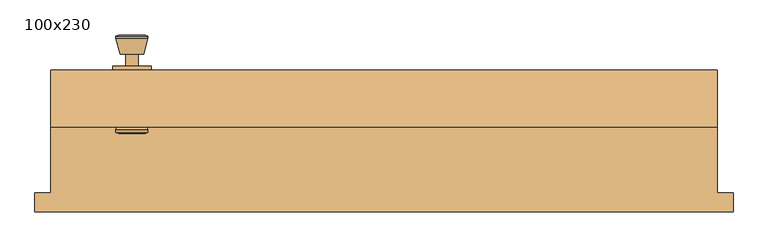
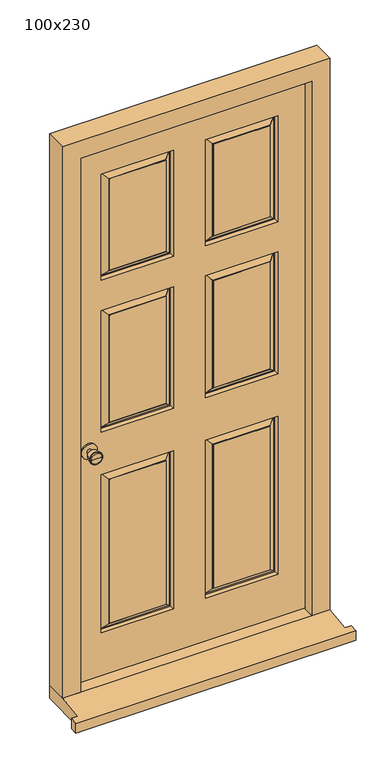
"""IFC4 building model written with IfcOpenShell, lengths in millimetres: door geometry, 100x230."""

from ifc_helpers import new_model, si_unit, point, frame, frame_2d, origin, place, context, project, spatial, polyline, circle_curve, trimmed, segment, composite_curve, outline, extrude, faceted_brep, source, transform, mapped, element, save
from ifc_brep_helpers import plane_surface, cylinder_surface, revolved_surface, advanced_brep


def door_100x230_8b10437b(model_context):
    return source(origin(), model_context, "Body", "SolidModel", [
        advanced_brep(
        [(-393.5, -12.5, 1000.0), (-403.5, -12.5, 1000.0), (-383.5, -12.5, 1000.0), (-373.0241324, 36.5, 1000.0), (-413.9758676, 36.5, 1000.0), (-393.5, 36.5, 1000.0), (-368.5, 34.6721319, 1000.0), (-418.5, 34.6721319, 1000.0), (-368.5, 31.2084537, 1000.0), (-418.5, 31.2084537, 1000.0), (-374.863764, 6.5, 1000.0), (-412.136236, 6.5, 1000.0), (-383.5, 6.5, 1000.0), (-403.5, 6.5, 1000.0)],
        [
            (0, 1),
            (1, 2, circle_curve(frame((-393.5, -12.5, 1000.0), z_axis=(0.0, -1.0, 0.0), x_axis=(-1.0, 0.0, 0.0)), 10.0)),
            (2, 0),
            (2, 1, circle_curve(frame((-393.5, -12.5, 1000.0), z_axis=(0.0, -1.0, 0.0), x_axis=(-1.0, 0.0, 0.0)), 10.0)),
            (3, 4, circle_curve(frame((-393.5, 36.5, 1000.0), z_axis=(0.0, 1.0, 0.0), x_axis=(-1.0, 0.0, 0.0)), 20.4758676)),
            (4, 5),
            (5, 3),
            (4, 3, circle_curve(frame((-393.5, 36.5, 1000.0), z_axis=(0.0, 1.0, 0.0), x_axis=(-1.0, 0.0, 0.0)), 20.4758676)),
            (6, 7, circle_curve(frame((-393.5, 34.6721319, 1000.0), z_axis=(0.0, 1.0, 0.0), x_axis=(-1.0, 0.0, 0.0)), 25.0)),
            (7, 4),
            (3, 6),
            (7, 6, circle_curve(frame((-393.5, 34.6721319, 1000.0), z_axis=(0.0, 1.0, 0.0), x_axis=(-1.0, 0.0, 0.0)), 25.0)),
            (8, 9, circle_curve(frame((-393.5, 31.2084537, 1000.0), z_axis=(0.0, 1.0, 0.0), x_axis=(-1.0, 0.0, 0.0)), 25.0)),
            (9, 7),
            (6, 8),
            (9, 8, circle_curve(frame((-393.5, 31.2084537, 1000.0), z_axis=(0.0, 1.0, 0.0), x_axis=(-1.0, 0.0, 0.0)), 25.0)),
            (10, 11, circle_curve(frame((-393.5, 6.5, 1000.0), z_axis=(0.0, 1.0, 0.0), x_axis=(-1.0, 0.0, 0.0)), 18.636236)),
            (11, 9),
            (8, 10),
            (11, 10, circle_curve(frame((-393.5, 6.5, 1000.0), z_axis=(0.0, 1.0, 0.0), x_axis=(-1.0, 0.0, 0.0)), 18.636236)),
            (12, 13, circle_curve(frame((-393.5, 6.5, 1000.0), z_axis=(0.0, 1.0, 0.0), x_axis=(-1.0, 0.0, 0.0)), 10.0)),
            (13, 11),
            (10, 12),
            (13, 12, circle_curve(frame((-393.5, 6.5, 1000.0), z_axis=(0.0, 1.0, 0.0), x_axis=(-1.0, 0.0, 0.0)), 10.0)),
            (1, 13),
            (12, 2),
        ],
        [
            plane_surface(frame((-393.5, -12.5, 1000.0), z_axis=(0.0, -1.0, 0.0), x_axis=(-1.0, 0.0, 0.0))),
            plane_surface(frame((-393.5, 36.5, 1000.0), z_axis=(0.0, 1.0, 0.0), x_axis=(-1.0, 0.0, 0.0))),
            revolved_surface(polyline([(-413.9758676, 36.5, 1000.0), (-418.5, 34.6721319, 1000.0)]), (-393.5, -12.5, 1000.0), (0.0, -1.0, 0.0)),
            cylinder_surface(frame((-393.5, -12.5, 1000.0), z_axis=(0.0, -1.0, 0.0), x_axis=(-1.0, 0.0, 0.0)), 25.0),
            revolved_surface(polyline([(-418.5, 31.2084537, 1000.0), (-412.136236, 6.5, 1000.0)]), (-393.5, -12.5, 1000.0), (0.0, -1.0, 0.0)),
            plane_surface(frame((-393.5, 6.5, 1000.0), z_axis=(0.0, -1.0, 0.0), x_axis=(-1.0, 0.0, 0.0))),
            cylinder_surface(frame((-393.5, -12.5, 1000.0), z_axis=(0.0, -1.0, 0.0), x_axis=(-1.0, 0.0, 0.0)), 10.0),
        ],
        [
            (0, [[1, 2, 3]]),
            (0, [[-3, 4, -1]]),
            (1, [[5, 6, 7]]),
            (1, [[8, -7, -6]]),
            (2, [[9, 10, -5, 11]]),
            (2, [[12, -11, -8, -10]]),
            (3, [[13, 14, -9, 15]]),
            (3, [[16, -15, -12, -14]]),
            (4, [[17, 18, -13, 19]]),
            (4, [[20, -19, -16, -18]]),
            (5, [[21, 22, -17, 23]]),
            (5, [[24, -23, -20, -22]]),
            (6, [[-2, 25, -21, 26]]),
            (6, [[-4, -26, -24, -25]]),
        ],
    ),
        extrude(outline(composite_curve([segment(trimmed(circle_curve(frame_2d((1000.0, -393.5)), 30.0), [point((1000.0, -423.5))], [point((1000.0, -363.5))], False, "CARTESIAN"), True, "CONTINUOUS"), segment(trimmed(circle_curve(frame_2d((1000.0, -393.5)), 30.0), [point((1000.0, -363.5))], [point((1000.0, -423.5))], False, "CARTESIAN"), True, "CONTINUOUS")], self_intersect=False)), frame((0.0, -18.5, 0.0), z_axis=(0.0, 1.0, 0.0), x_axis=(0.0, 0.0, 1.0)), (0.0, 0.0, 1.0), 6.0),
        advanced_brep(
        [(-393.5, -68.5, 1000.0), (-383.5, -68.5, 1000.0), (-403.5, -68.5, 1000.0), (-373.0241324, -117.5, 1000.0), (-393.5, -117.5, 1000.0), (-413.9758676, -117.5, 1000.0), (-368.5, -115.6721319, 1000.0), (-418.5, -115.6721319, 1000.0), (-368.5, -112.2084537, 1000.0), (-418.5, -112.2084537, 1000.0), (-374.863764, -87.5, 1000.0), (-412.136236, -87.5, 1000.0), (-383.5, -87.5, 1000.0), (-403.5, -87.5, 1000.0)],
        [
            (0, 1),
            (1, 2, circle_curve(frame((-393.5, -68.5, 1000.0), z_axis=(0.0, 1.0, 0.0), x_axis=(-1.0, 0.0, 0.0)), 10.0)),
            (2, 0),
            (2, 1, circle_curve(frame((-393.5, -68.5, 1000.0), z_axis=(0.0, 1.0, 0.0), x_axis=(-1.0, 0.0, 0.0)), 10.0)),
            (3, 4),
            (4, 5),
            (5, 3, circle_curve(frame((-393.5, -117.5, 1000.0), z_axis=(0.0, -1.0, 0.0), x_axis=(-1.0, 0.0, 0.0)), 20.4758676)),
            (3, 5, circle_curve(frame((-393.5, -117.5, 1000.0), z_axis=(0.0, -1.0, 0.0), x_axis=(-1.0, 0.0, 0.0)), 20.4758676)),
            (6, 3),
            (5, 7),
            (7, 6, circle_curve(frame((-393.5, -115.6721319, 1000.0), z_axis=(0.0, -1.0, 0.0), x_axis=(-1.0, 0.0, 0.0)), 25.0)),
            (6, 7, circle_curve(frame((-393.5, -115.6721319, 1000.0), z_axis=(0.0, -1.0, 0.0), x_axis=(-1.0, 0.0, 0.0)), 25.0)),
            (8, 6),
            (7, 9),
            (9, 8, circle_curve(frame((-393.5, -112.2084537, 1000.0), z_axis=(0.0, -1.0, 0.0), x_axis=(-1.0, 0.0, 0.0)), 25.0)),
            (8, 9, circle_curve(frame((-393.5, -112.2084537, 1000.0), z_axis=(0.0, -1.0, 0.0), x_axis=(-1.0, 0.0, 0.0)), 25.0)),
            (10, 8),
            (9, 11),
            (11, 10, circle_curve(frame((-393.5, -87.5, 1000.0), z_axis=(0.0, -1.0, 0.0), x_axis=(-1.0, 0.0, 0.0)), 18.636236)),
            (10, 11, circle_curve(frame((-393.5, -87.5, 1000.0), z_axis=(0.0, -1.0, 0.0), x_axis=(-1.0, 0.0, 0.0)), 18.636236)),
            (12, 10),
            (11, 13),
            (13, 12, circle_curve(frame((-393.5, -87.5, 1000.0), z_axis=(0.0, -1.0, 0.0), x_axis=(-1.0, 0.0, 0.0)), 10.0)),
            (12, 13, circle_curve(frame((-393.5, -87.5, 1000.0), z_axis=(0.0, -1.0, 0.0), x_axis=(-1.0, 0.0, 0.0)), 10.0)),
            (1, 12),
            (13, 2),
        ],
        [
            plane_surface(frame((-393.5, -68.5, 1000.0), z_axis=(0.0, 1.0, 0.0), x_axis=(-1.0, 0.0, 0.0))),
            plane_surface(frame((-393.5, -117.5, 1000.0), z_axis=(0.0, -1.0, 0.0), x_axis=(-1.0, 0.0, 0.0))),
            revolved_surface(polyline([(-413.9758676, -117.5, 1000.0), (-418.5, -115.6721319, 1000.0)]), (-393.5, -68.5, 1000.0), (0.0, 1.0, 0.0)),
            cylinder_surface(frame((-393.5, -68.5, 1000.0), z_axis=(0.0, 1.0, 0.0), x_axis=(-1.0, 0.0, 0.0)), 25.0),
            revolved_surface(polyline([(-418.5, -112.2084537, 1000.0), (-412.136236, -87.5, 1000.0)]), (-393.5, -68.5, 1000.0), (0.0, 1.0, 0.0)),
            plane_surface(frame((-393.5, -87.5, 1000.0), z_axis=(0.0, 1.0, 0.0), x_axis=(-1.0, 0.0, 0.0))),
            cylinder_surface(frame((-393.5, -68.5, 1000.0), z_axis=(0.0, 1.0, 0.0), x_axis=(-1.0, 0.0, 0.0)), 10.0),
        ],
        [
            (0, [[1, 2, 3]]),
            (0, [[-3, 4, -1]]),
            (1, [[5, 6, 7]]),
            (1, [[-6, -5, 8]]),
            (2, [[9, -7, 10, 11]]),
            (2, [[-10, -8, -9, 12]]),
            (3, [[13, -11, 14, 15]]),
            (3, [[-14, -12, -13, 16]]),
            (4, [[17, -15, 18, 19]]),
            (4, [[-18, -16, -17, 20]]),
            (5, [[21, -19, 22, 23]]),
            (5, [[-22, -20, -21, 24]]),
            (6, [[25, -23, 26, -2]]),
            (6, [[-26, -24, -25, -4]]),
        ],
    ),
        extrude(outline(composite_curve([segment(trimmed(circle_curve(frame_2d((1000.0, -393.5)), 30.0), [point((1000.0, -423.5))], [point((1000.0, -363.5))], False, "CARTESIAN"), True, "CONTINUOUS"), segment(trimmed(circle_curve(frame_2d((1000.0, -393.5)), 30.0), [point((1000.0, -363.5))], [point((1000.0, -423.5))], False, "CARTESIAN"), True, "CONTINUOUS")], self_intersect=False)), frame((0.0, -68.5, 0.0), z_axis=(0.0, 1.0, 0.0), x_axis=(0.0, 0.0, 1.0)), (0.0, 0.0, 1.0), 6.0),
        faceted_brep([(449.5, -107.5, 54.5), (449.5, -65.5, 54.5), (471.5, -65.5, 54.5), (471.5, -18.5, 54.5), (520.0, -18.5, 54.5), (520.0, -107.5, 54.5), (520.0, -107.5, 2320.0), (-520.0, -107.5, 2320.0), (-520.0, -107.5, 54.5), (-449.5, -107.5, 54.5), (-449.5, -107.5, 2249.5), (449.5, -107.5, 2249.5), (520.0, -18.5, 2320.0), (471.5, -18.5, 2271.5), (-471.5, -18.5, 2271.5), (-471.5, -18.5, 54.5), (-520.0, -18.5, 54.5), (-520.0, -18.5, 2320.0), (471.5, -65.5, 2271.5), (449.5, -65.5, 2249.5), (-449.5, -65.5, 2249.5), (-449.5, -65.5, 54.5), (-471.5, -65.5, 54.5), (-471.5, -65.5, 2271.5)], [[[0, 1, 2, 3, 4, 5]], [[5, 6, 7, 8, 9, 10, 11, 0]], [[4, 12, 6, 5]], [[3, 13, 14, 15, 16, 17, 12, 4]], [[2, 18, 13, 3]], [[1, 19, 20, 21, 22, 23, 18, 2]], [[0, 11, 19, 1]], [[9, 21, 20, 10]], [[8, 16, 15, 22, 21, 9]], [[7, 17, 16, 8]], [[14, 23, 22, 15]], [[6, 12, 17, 7]], [[13, 18, 23, 14]], [[10, 20, 19, 11]]]),
        faceted_brep([(545.0, -240.0, 0.0), (545.0, -210.0, 0.0), (545.0, -210.0, 42.1959171), (545.0, -240.0, 38.5947221), (-545.0, -240.0, 38.5947221), (-545.0, -210.0, 42.1959171), (-545.0, -210.0, 0.0), (-545.0, -240.0, 0.0), (-520.0, -210.0, 0.0), (-520.0, -18.5, 0.0), (520.0, -18.5, 0.0), (520.0, -210.0, 0.0), (520.0, -210.0, 42.1959171), (520.0, -107.5, 54.5), (-520.0, -107.5, 54.5), (-520.0, -210.0, 42.1959171), (520.0, -18.5, 54.5), (-520.0, -18.5, 54.5)], [[[0, 1, 2, 3]], [[4, 5, 6, 7]], [[7, 6, 8, 9, 10, 11, 1, 0]], [[3, 4, 7, 0]], [[3, 2, 12, 13, 14, 15, 5, 4]], [[14, 13, 16, 17]], [[17, 16, 10, 9]], [[15, 14, 17, 9, 8]], [[8, 6, 5, 15]], [[11, 10, 16, 13, 12]], [[12, 2, 1, 11]]]),
        faceted_brep([(468.5, -18.5, 58.5), (-469.4250294, -18.5, 58.5), (-469.4250294, -18.5, 2268.5), (468.5, -18.5, 2268.5), (-62.5, -18.5, 883.5), (-343.5, -18.5, 883.5), (-343.5, -18.5, 233.5), (-62.5, -18.5, 233.5), (343.5, -18.5, 883.5), (62.5, -18.5, 883.5), (62.5, -18.5, 233.5), (343.5, -18.5, 233.5), (-62.5, -18.5, 1558.5), (-343.5, -18.5, 1558.5), (-343.5, -18.5, 1058.5), (-62.5, -18.5, 1058.5), (343.5, -18.5, 1558.5), (62.5, -18.5, 1558.5), (62.5, -18.5, 1058.5), (343.5, -18.5, 1058.5), (-62.5, -18.5, 2118.5), (-343.5, -18.5, 2118.5), (-343.5, -18.5, 1683.5), (-62.5, -18.5, 1683.5), (62.5, -18.5, 1683.5), (343.5, -18.5, 1683.5), (343.5, -18.5, 2118.5), (62.5, -18.5, 2118.5), (-92.5, -18.5, 263.5), (-313.5, -18.5, 263.5), (-313.5, -18.5, 853.5), (-92.5, -18.5, 853.5), (313.5, -18.5, 263.5), (92.5, -18.5, 263.5), (92.5, -18.5, 853.5), (313.5, -18.5, 853.5), (-92.5, -18.5, 1088.5), (-313.5, -18.5, 1088.5), (-313.5, -18.5, 1528.5), (-92.5, -18.5, 1528.5), (313.5, -18.5, 1088.5), (92.5, -18.5, 1088.5), (92.5, -18.5, 1528.5), (313.5, -18.5, 1528.5), (-92.5, -18.5, 1713.5), (-313.5, -18.5, 1713.5), (-313.5, -18.5, 2088.5), (-92.5, -18.5, 2088.5), (92.5, -18.5, 2088.5), (313.5, -18.5, 2088.5), (313.5, -18.5, 1713.5), (92.5, -18.5, 1713.5), (468.5, -62.5, 58.5), (468.5, -62.5, 2268.5), (-469.4250294, -62.5, 2268.5), (-469.4250294, -62.5, 58.5), (62.5, -62.5, 883.5), (343.5, -62.5, 883.5), (343.5, -62.5, 233.5), (62.5, -62.5, 233.5), (-343.5, -62.5, 883.5), (-62.5, -62.5, 883.5), (-62.5, -62.5, 233.5), (-343.5, -62.5, 233.5), (62.5, -62.5, 1558.5), (343.5, -62.5, 1558.5), (343.5, -62.5, 1058.5), (62.5, -62.5, 1058.5), (-343.5, -62.5, 1558.5), (-62.5, -62.5, 1558.5), (-62.5, -62.5, 1058.5), (-343.5, -62.5, 1058.5), (62.5, -62.5, 2118.5), (343.5, -62.5, 2118.5), (343.5, -62.5, 1683.5), (62.5, -62.5, 1683.5), (-343.5, -62.5, 2118.5), (-62.5, -62.5, 2118.5), (-62.5, -62.5, 1683.5), (-343.5, -62.5, 1683.5), (92.5, -62.5, 263.5), (313.5, -62.5, 263.5), (313.5, -62.5, 853.5), (92.5, -62.5, 853.5), (-313.5, -62.5, 263.5), (-92.5, -62.5, 263.5), (-92.5, -62.5, 853.5), (-313.5, -62.5, 853.5), (92.5, -62.5, 1088.5), (313.5, -62.5, 1088.5), (313.5, -62.5, 1528.5), (92.5, -62.5, 1528.5), (-313.5, -62.5, 1088.5), (-92.5, -62.5, 1088.5), (-92.5, -62.5, 1528.5), (-313.5, -62.5, 1528.5), (92.5, -62.5, 1713.5), (313.5, -62.5, 1713.5), (313.5, -62.5, 2088.5), (92.5, -62.5, 2088.5), (-313.5, -62.5, 1713.5), (-92.5, -62.5, 1713.5), (-92.5, -62.5, 2088.5), (-313.5, -62.5, 2088.5), (65.5, -47.5, 880.5), (65.5, -47.5, 236.5), (90.5, -61.5, 855.5), (70.5, -47.5, 875.5), (70.5, -47.5, 241.5), (90.5, -61.5, 261.5), (92.5, -61.5, 853.5), (92.5, -61.5, 263.5), (340.5, -47.5, 236.5), (335.5, -47.5, 241.5), (315.5, -61.5, 261.5), (313.5, -61.5, 263.5), (340.5, -47.5, 880.5), (335.5, -47.5, 875.5), (315.5, -61.5, 855.5), (313.5, -61.5, 853.5), (-340.5, -47.5, 880.5), (-340.5, -47.5, 236.5), (-315.5, -61.5, 855.5), (-335.5, -47.5, 875.5), (-335.5, -47.5, 241.5), (-315.5, -61.5, 261.5), (-313.5, -61.5, 853.5), (-313.5, -61.5, 263.5), (-65.5, -47.5, 236.5), (-70.5, -47.5, 241.5), (-90.5, -61.5, 261.5), (-92.5, -61.5, 263.5), (-65.5, -47.5, 880.5), (-70.5, -47.5, 875.5), (-90.5, -61.5, 855.5), (-92.5, -61.5, 853.5), (-92.5, -19.5, 263.5), (-92.5, -19.5, 853.5), (-70.5, -33.5, 241.5), (-90.5, -19.5, 261.5), (-90.5, -19.5, 855.5), (-70.5, -33.5, 875.5), (-65.5, -33.5, 236.5), (-65.5, -33.5, 880.5), (-313.5, -19.5, 853.5), (-315.5, -19.5, 855.5), (-335.5, -33.5, 875.5), (-340.5, -33.5, 880.5), (-313.5, -19.5, 263.5), (-315.5, -19.5, 261.5), (-335.5, -33.5, 241.5), (-340.5, -33.5, 236.5), (340.5, -33.5, 880.5), (340.5, -33.5, 236.5), (315.5, -19.5, 855.5), (335.5, -33.5, 875.5), (335.5, -33.5, 241.5), (315.5, -19.5, 261.5), (313.5, -19.5, 853.5), (313.5, -19.5, 263.5), (65.5, -33.5, 236.5), (70.5, -33.5, 241.5), (90.5, -19.5, 261.5), (92.5, -19.5, 263.5), (65.5, -33.5, 880.5), (70.5, -33.5, 875.5), (90.5, -19.5, 855.5), (92.5, -19.5, 853.5), (92.5, -61.5, 1088.5), (92.5, -61.5, 1528.5), (70.5, -47.5, 1066.5), (90.5, -61.5, 1086.5), (90.5, -61.5, 1530.5), (70.5, -47.5, 1550.5), (65.5, -47.5, 1061.5), (65.5, -47.5, 1555.5), (313.5, -61.5, 1528.5), (315.5, -61.5, 1530.5), (335.5, -47.5, 1550.5), (340.5, -47.5, 1555.5), (313.5, -61.5, 1088.5), (315.5, -61.5, 1086.5), (335.5, -47.5, 1066.5), (340.5, -47.5, 1061.5), (-313.5, -61.5, 1088.5), (-313.5, -61.5, 1528.5), (-335.5, -47.5, 1066.5), (-315.5, -61.5, 1086.5), (-315.5, -61.5, 1530.5), (-335.5, -47.5, 1550.5), (-340.5, -47.5, 1061.5), (-340.5, -47.5, 1555.5), (-92.5, -61.5, 1528.5), (-90.5, -61.5, 1530.5), (-70.5, -47.5, 1550.5), (-65.5, -47.5, 1555.5), (-92.5, -61.5, 1088.5), (-90.5, -61.5, 1086.5), (-70.5, -47.5, 1066.5), (-65.5, -47.5, 1061.5), (-92.5, -19.5, 1088.5), (-92.5, -19.5, 1528.5), (-70.5, -33.5, 1066.5), (-90.5, -19.5, 1086.5), (-90.5, -19.5, 1530.5), (-70.5, -33.5, 1550.5), (-65.5, -33.5, 1061.5), (-65.5, -33.5, 1555.5), (-313.5, -19.5, 1528.5), (-315.5, -19.5, 1530.5), (-335.5, -33.5, 1550.5), (-340.5, -33.5, 1555.5), (-313.5, -19.5, 1088.5), (-315.5, -19.5, 1086.5), (-335.5, -33.5, 1066.5), (-340.5, -33.5, 1061.5), (340.5, -33.5, 1555.5), (340.5, -33.5, 1061.5), (315.5, -19.5, 1530.5), (335.5, -33.5, 1550.5), (335.5, -33.5, 1066.5), (315.5, -19.5, 1086.5), (313.5, -19.5, 1528.5), (313.5, -19.5, 1088.5), (65.5, -33.5, 1061.5), (70.5, -33.5, 1066.5), (90.5, -19.5, 1086.5), (92.5, -19.5, 1088.5), (65.5, -33.5, 1555.5), (70.5, -33.5, 1550.5), (90.5, -19.5, 1530.5), (92.5, -19.5, 1528.5), (92.5, -61.5, 1713.5), (92.5, -61.5, 2088.5), (70.5, -47.5, 1691.5), (90.5, -61.5, 1711.5), (90.5, -61.5, 2090.5), (70.5, -47.5, 2110.5), (65.5, -47.5, 1686.5), (65.5, -47.5, 2115.5), (313.5, -61.5, 2088.5), (315.5, -61.5, 2090.5), (335.5, -47.5, 2110.5), (340.5, -47.5, 2115.5), (313.5, -61.5, 1713.5), (315.5, -61.5, 1711.5), (335.5, -47.5, 1691.5), (340.5, -47.5, 1686.5), (-313.5, -61.5, 1713.5), (-313.5, -61.5, 2088.5), (-335.5, -47.5, 1691.5), (-315.5, -61.5, 1711.5), (-315.5, -61.5, 2090.5), (-335.5, -47.5, 2110.5), (-340.5, -47.5, 1686.5), (-340.5, -47.5, 2115.5), (-92.5, -61.5, 2088.5), (-90.5, -61.5, 2090.5), (-70.5, -47.5, 2110.5), (-65.5, -47.5, 2115.5), (-92.5, -61.5, 1713.5), (-90.5, -61.5, 1711.5), (-70.5, -47.5, 1691.5), (-65.5, -47.5, 1686.5), (-92.5, -19.5, 1713.5), (-92.5, -19.5, 2088.5), (-70.5, -33.5, 1691.5), (-90.5, -19.5, 1711.5), (-90.5, -19.5, 2090.5), (-70.5, -33.5, 2110.5), (-65.5, -33.5, 1686.5), (-65.5, -33.5, 2115.5), (-313.5, -19.5, 2088.5), (-315.5, -19.5, 2090.5), (-335.5, -33.5, 2110.5), (-340.5, -33.5, 2115.5), (-313.5, -19.5, 1713.5), (-315.5, -19.5, 1711.5), (-335.5, -33.5, 1691.5), (-340.5, -33.5, 1686.5), (92.5, -19.5, 2088.5), (92.5, -19.5, 1713.5), (70.5, -33.5, 2110.5), (90.5, -19.5, 2090.5), (90.5, -19.5, 1711.5), (70.5, -33.5, 1691.5), (65.5, -33.5, 2115.5), (65.5, -33.5, 1686.5), (313.5, -19.5, 1713.5), (315.5, -19.5, 1711.5), (335.5, -33.5, 1691.5), (340.5, -33.5, 1686.5), (313.5, -19.5, 2088.5), (315.5, -19.5, 2090.5), (335.5, -33.5, 2110.5), (340.5, -33.5, 2115.5)], [[[0, 1, 2, 3], [4, 5, 6, 7], [8, 9, 10, 11], [12, 13, 14, 15], [16, 17, 18, 19], [20, 21, 22, 23], [24, 25, 26, 27]], [[28, 29, 30, 31]], [[32, 33, 34, 35]], [[36, 37, 38, 39]], [[40, 41, 42, 43]], [[44, 45, 46, 47]], [[48, 49, 50, 51]], [[52, 53, 54, 55], [56, 57, 58, 59], [60, 61, 62, 63], [64, 65, 66, 67], [68, 69, 70, 71], [72, 73, 74, 75], [76, 77, 78, 79]], [[80, 81, 82, 83]], [[84, 85, 86, 87]], [[88, 89, 90, 91]], [[92, 93, 94, 95]], [[96, 97, 98, 99]], [[100, 101, 102, 103]], [[3, 53, 52, 0]], [[2, 54, 53, 3]], [[1, 55, 54, 2]], [[0, 52, 55, 1]], [[104, 56, 59, 105]], [[106, 107, 108, 109]], [[80, 83, 110, 111]], [[59, 58, 112, 105]], [[108, 113, 114, 109]], [[111, 115, 81, 80]], [[58, 57, 116, 112]], [[113, 117, 118, 114]], [[115, 119, 82, 81]], [[104, 116, 57, 56]], [[105, 112, 116, 104], [107, 117, 113, 108]], [[106, 118, 117, 107]], [[109, 114, 118, 106], [110, 119, 115, 111]], [[83, 82, 119, 110]], [[120, 60, 63, 121]], [[122, 123, 124, 125]], [[84, 87, 126, 127]], [[63, 62, 128, 121]], [[124, 129, 130, 125]], [[127, 131, 85, 84]], [[62, 61, 132, 128]], [[129, 133, 134, 130]], [[131, 135, 86, 85]], [[120, 132, 61, 60]], [[121, 128, 132, 120], [123, 133, 129, 124]], [[122, 134, 133, 123]], [[125, 130, 134, 122], [126, 135, 131, 127]], [[87, 86, 135, 126]], [[136, 28, 31, 137]], [[138, 139, 140, 141]], [[4, 7, 142, 143]], [[31, 30, 144, 137]], [[140, 145, 146, 141]], [[143, 147, 5, 4]], [[30, 29, 148, 144]], [[145, 149, 150, 146]], [[147, 151, 6, 5]], [[136, 148, 29, 28]], [[139, 149, 145, 140], [137, 144, 148, 136]], [[138, 150, 149, 139]], [[142, 151, 147, 143], [141, 146, 150, 138]], [[7, 6, 151, 142]], [[152, 8, 11, 153]], [[154, 155, 156, 157]], [[32, 35, 158, 159]], [[11, 10, 160, 153]], [[156, 161, 162, 157]], [[159, 163, 33, 32]], [[10, 9, 164, 160]], [[161, 165, 166, 162]], [[163, 167, 34, 33]], [[152, 164, 9, 8]], [[153, 160, 164, 152], [155, 165, 161, 156]], [[154, 166, 165, 155]], [[157, 162, 166, 154], [158, 167, 163, 159]], [[35, 34, 167, 158]], [[168, 88, 91, 169]], [[170, 171, 172, 173]], [[64, 67, 174, 175]], [[91, 90, 176, 169]], [[172, 177, 178, 173]], [[175, 179, 65, 64]], [[90, 89, 180, 176]], [[177, 181, 182, 178]], [[179, 183, 66, 65]], [[168, 180, 89, 88]], [[171, 181, 177, 172], [169, 176, 180, 168]], [[170, 182, 181, 171]], [[174, 183, 179, 175], [173, 178, 182, 170]], [[67, 66, 183, 174]], [[184, 92, 95, 185]], [[186, 187, 188, 189]], [[68, 71, 190, 191]], [[95, 94, 192, 185]], [[188, 193, 194, 189]], [[191, 195, 69, 68]], [[94, 93, 196, 192]], [[193, 197, 198, 194]], [[195, 199, 70, 69]], [[184, 196, 93, 92]], [[187, 197, 193, 188], [185, 192, 196, 184]], [[186, 198, 197, 187]], [[190, 199, 195, 191], [189, 194, 198, 186]], [[71, 70, 199, 190]], [[200, 36, 39, 201]], [[202, 203, 204, 205]], [[12, 15, 206, 207]], [[39, 38, 208, 201]], [[204, 209, 210, 205]], [[207, 211, 13, 12]], [[38, 37, 212, 208]], [[209, 213, 214, 210]], [[211, 215, 14, 13]], [[200, 212, 37, 36]], [[203, 213, 209, 204], [201, 208, 212, 200]], [[202, 214, 213, 203]], [[206, 215, 211, 207], [205, 210, 214, 202]], [[15, 14, 215, 206]], [[216, 16, 19, 217]], [[218, 219, 220, 221]], [[40, 43, 222, 223]], [[19, 18, 224, 217]], [[220, 225, 226, 221]], [[223, 227, 41, 40]], [[18, 17, 228, 224]], [[225, 229, 230, 226]], [[227, 231, 42, 41]], [[216, 228, 17, 16]], [[217, 224, 228, 216], [219, 229, 225, 220]], [[218, 230, 229, 219]], [[221, 226, 230, 218], [222, 231, 227, 223]], [[43, 42, 231, 222]], [[232, 96, 99, 233]], [[234, 235, 236, 237]], [[72, 75, 238, 239]], [[99, 98, 240, 233]], [[236, 241, 242, 237]], [[239, 243, 73, 72]], [[98, 97, 244, 240]], [[241, 245, 246, 242]], [[243, 247, 74, 73]], [[232, 244, 97, 96]], [[235, 245, 241, 236], [233, 240, 244, 232]], [[234, 246, 245, 235]], [[238, 247, 243, 239], [237, 242, 246, 234]], [[75, 74, 247, 238]], [[248, 100, 103, 249]], [[250, 251, 252, 253]], [[76, 79, 254, 255]], [[103, 102, 256, 249]], [[252, 257, 258, 253]], [[255, 259, 77, 76]], [[102, 101, 260, 256]], [[257, 261, 262, 258]], [[259, 263, 78, 77]], [[248, 260, 101, 100]], [[251, 261, 257, 252], [249, 256, 260, 248]], [[250, 262, 261, 251]], [[254, 263, 259, 255], [253, 258, 262, 250]], [[79, 78, 263, 254]], [[264, 44, 47, 265]], [[266, 267, 268, 269]], [[20, 23, 270, 271]], [[47, 46, 272, 265]], [[268, 273, 274, 269]], [[271, 275, 21, 20]], [[46, 45, 276, 272]], [[273, 277, 278, 274]], [[275, 279, 22, 21]], [[264, 276, 45, 44]], [[267, 277, 273, 268], [265, 272, 276, 264]], [[266, 278, 277, 267]], [[270, 279, 275, 271], [269, 274, 278, 266]], [[23, 22, 279, 270]], [[280, 48, 51, 281]], [[282, 283, 284, 285]], [[24, 27, 286, 287]], [[51, 50, 288, 281]], [[284, 289, 290, 285]], [[287, 291, 25, 24]], [[50, 49, 292, 288]], [[289, 293, 294, 290]], [[291, 295, 26, 25]], [[280, 292, 49, 48]], [[283, 293, 289, 284], [281, 288, 292, 280]], [[282, 294, 293, 283]], [[286, 295, 291, 287], [285, 290, 294, 282]], [[27, 26, 295, 286]]]),
    ])


if __name__ == "__main__":
    model = new_model("IFC4")
    model_context = context("Model", 3, world=origin())
    ifc_project = project(units=[si_unit("LENGTHUNIT", "METRE", prefix="MILLI")], contexts=[model_context])
    site = spatial("IfcSite", under=ifc_project)
    building = spatial("IfcBuilding", under=site)
    placement = place(None, origin())
    door_100x230_shape = door_100x230_8b10437b(model_context)
    element("IfcDoor", 1, ObjectType="100x230", at=placement, inside=building, context=model_context, shape_type="MappedRepresentation", body=[
        mapped(door_100x230_shape, transform((0.0, 0.0, 0.0), x_axis=(1.0, 0.0, 0.0), y_axis=(0.0, 1.0, 0.0), z_axis=(0.0, 0.0, 1.0))),
    ])
    save(model, "model.ifc")
